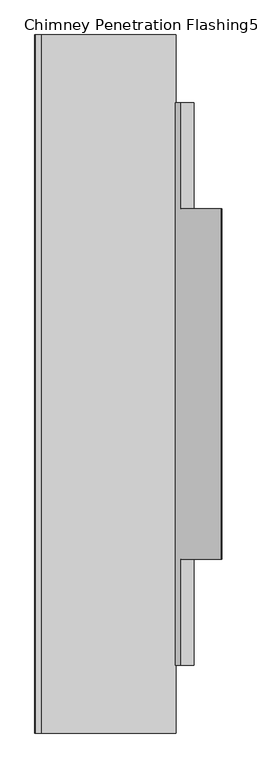
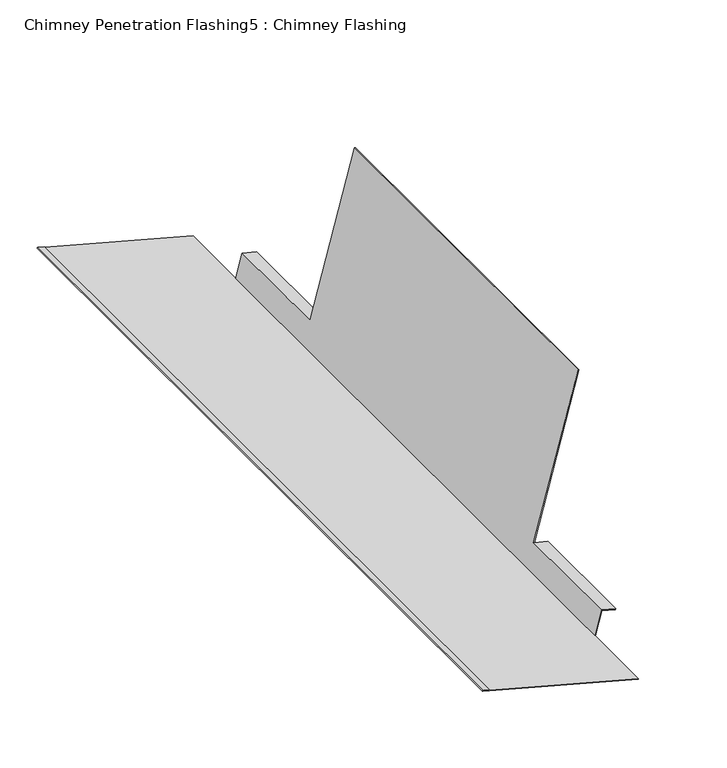
"""IFC4 building model written with IfcOpenShell, lengths in millimetres: proxy geometry, Chimney Penetration Flashing5 : Chimney Flashing."""

import ifcopenshell
import ifcopenshell.guid

model = None  # the IFC model being written
_history = None  # IfcOwnerHistory: only IFC2X3 demands one
_inside = {}  # id of a spatial element -> (the spatial element, [elements in it])
_under = {}  # id of a project, library or spatial element -> (it, [spatial elements below it])
_declared = {}  # id of a project -> (the project, [libraries it declares])
_typed = {}  # id of a type object -> (the type object, [elements of that type])
_made_of = {}  # id of a material, layer set ... -> (it, [elements and type objects made of it])


def new_model(schema):
    """Start an empty IFC model of exactly this schema.

    Asked for "IFC4X3", IfcOpenShell would pick the latest addendum, in which some entities
    have other attributes; the version numbers below select the first issue.
    IFC2X3 requires an IfcOwnerHistory on every rooted entity: one is made here for all.
    """
    global model, _history
    if schema == "IFC4X3":
        model = ifcopenshell.file(schema_version=(4, 3, 0, 0))
    else:
        model = ifcopenshell.file(schema=schema)
    _inside.clear()
    _under.clear()
    _declared.clear()
    _typed.clear()
    _made_of.clear()
    _history = None
    if model.schema == "IFC2X3":
        org = make("IfcOrganization", Name="unknown")
        user = make(
            "IfcPersonAndOrganization",
            ThePerson=make("IfcPerson", FamilyName="unknown"),
            TheOrganization=org,
        )
        app = make(
            "IfcApplication",
            ApplicationDeveloper=org,
            Version="unknown",
            ApplicationFullName="unknown",
            ApplicationIdentifier="unknown",
        )
        _history = make(
            "IfcOwnerHistory",
            OwningUser=user,
            OwningApplication=app,
            ChangeAction="ADDED",
            CreationDate=0,
        )
    return model


def make(cls, **values):
    """One entity of the class cls with the attributes given. An attribute that is None is left unset."""
    return model.create_entity(
        cls, **{name: value for name, value in values.items() if value is not None}
    )


def rooted(cls, **values):
    """An entity with a GlobalId (a new one), such as an element, a storey or a relation."""
    return make(cls, GlobalId=ifcopenshell.guid.new(), OwnerHistory=_history, **values)


def si_unit(unit_type, name, prefix=None):
    """IfcSIUnit, for example si_unit("LENGTHUNIT", "METRE", prefix="MILLI")."""
    return make("IfcSIUnit", UnitType=unit_type, Prefix=prefix, Name=name)


def assignment(units):
    """IfcUnitAssignment: the units of a project."""
    return None if units is None else make("IfcUnitAssignment", Units=units)


def point(xyz):
    """IfcCartesianPoint."""
    return None if xyz is None else make("IfcCartesianPoint", Coordinates=xyz)


def direction(xyz):
    """IfcDirection."""
    return None if xyz is None else make("IfcDirection", DirectionRatios=xyz)


def frame(location, z_axis=None, x_axis=None):
    """IfcAxis2Placement3D, a coordinate frame: its origin and axes. An axis left out is left unset."""
    return make(
        "IfcAxis2Placement3D",
        Location=point(location),
        Axis=direction(z_axis),
        RefDirection=direction(x_axis),
    )


def origin():
    """The frame at (0, 0, 0) with its axes left unset."""
    return frame((0.0, 0.0, 0.0))


def place(relative_to, where):
    """IfcLocalPlacement: puts the frame where relative to a parent placement (None: the world)."""
    return make(
        "IfcLocalPlacement", PlacementRelTo=relative_to, RelativePlacement=where
    )


def context(
    kind, dimensions, precision=None, world=None, true_north=None, identifier=None
):
    """IfcGeometricRepresentationContext, for example the 3D "Model" context."""
    return make(
        "IfcGeometricRepresentationContext",
        ContextIdentifier=identifier,
        ContextType=kind,
        CoordinateSpaceDimension=dimensions,
        Precision=precision,
        WorldCoordinateSystem=world,
        TrueNorth=true_north,
    )


def project(units=None, contexts=None):
    """IfcProject with its units and contexts."""
    return rooted(
        "IfcProject",
        Name="project",
        RepresentationContexts=contexts,
        UnitsInContext=assignment(units),
    )


def spatial(cls, under=None, at=None, **own):
    """A site, building, storey or space (cls), placed at a placement, below another one or the project."""
    s = rooted(cls, ObjectPlacement=at, **own)
    if under is not None:
        _under.setdefault(under.id(), (under, []))[1].append(s)
    return s


def circle_curve(where, radius):
    """IfcCircle in the frame where."""
    return make("IfcCircle", Position=where, Radius=radius)


def shape(context_of_items, identifier, shape_type, items):
    """IfcShapeRepresentation: the items that make up one representation, for example the "Body"."""
    return make(
        "IfcShapeRepresentation",
        ContextOfItems=context_of_items,
        RepresentationIdentifier=identifier,
        RepresentationType=shape_type,
        Items=items,
    )


def source(mapping_origin, context_of_items, identifier, shape_type, items):
    """IfcRepresentationMap: a shape defined once, which mapped items show again and again."""
    return make(
        "IfcRepresentationMap",
        MappingOrigin=mapping_origin,
        MappedRepresentation=shape(context_of_items, identifier, shape_type, items),
    )


def transform(
    local_origin,
    x_axis=None,
    y_axis=None,
    z_axis=None,
    scale=None,
    scale2=None,
    scale3=None,
    uniform=True,
):
    """IfcCartesianTransformationOperator3D, or its non-uniform kind. x_axis, y_axis, z_axis: its Axis1, 2, 3."""
    if uniform:
        return make(
            "IfcCartesianTransformationOperator3D",
            Axis1=direction(x_axis),
            Axis2=direction(y_axis),
            LocalOrigin=point(local_origin),
            Scale=scale,
            Axis3=direction(z_axis),
        )
    return make(
        "IfcCartesianTransformationOperator3DnonUniform",
        Axis1=direction(x_axis),
        Axis2=direction(y_axis),
        LocalOrigin=point(local_origin),
        Scale=scale,
        Axis3=direction(z_axis),
        Scale2=scale2,
        Scale3=scale3,
    )


def mapped(mapping_source, mapping_target):
    """IfcMappedItem: shows the shape of a source again, moved by a transform."""
    return make(
        "IfcMappedItem", MappingSource=mapping_source, MappingTarget=mapping_target
    )


def made_of(thing, what):
    """Note that an element or type object is made of a material, layer set ...; save() writes the relation."""
    if what is not None:
        _made_of.setdefault(what.id(), (what, []))[1].append(thing)
    return thing


def element(
    cls,
    number,
    at=None,
    inside=None,
    cuts=None,
    type_object=None,
    material=None,
    context=None,
    identifier="Body",
    shape_type=None,
    held_by="IfcProductDefinitionShape",
    body=None,
    shapes=None,
    **own,
):
    """One element of the class cls, such as IfcWall. Its Tag is "e" and its number.

    at: its placement. inside: the storey or other place that contains it. cuts: it is an
    opening in that element (IfcRelVoidsElement). A single representation is given by context,
    identifier, shape_type and body (its items); several are given by shapes. held_by: the class
    of the entity that holds the representations. save() writes the other relations.
    """
    e = rooted(cls, Tag="e%d" % number, ObjectPlacement=at, **own)
    if body is not None:
        shapes = [shape(context, identifier, shape_type, body)]
    if shapes is not None:
        e.Representation = make(held_by, Representations=shapes)
    if inside is not None:
        _inside.setdefault(inside.id(), (inside, []))[1].append(e)
    if cuts is not None:
        rooted(
            "IfcRelVoidsElement", RelatingBuildingElement=cuts, RelatedOpeningElement=e
        )
    if type_object is not None:
        _typed.setdefault(type_object.id(), (type_object, []))[1].append(e)
    return made_of(e, material)


def aggregate(whole, parts):
    """IfcRelAggregates: a whole, such as a stair, and the parts it consists of."""
    return rooted("IfcRelAggregates", RelatingObject=whole, RelatedObjects=parts)


def save(model, path):
    """Write the relations noted so far, then the file.

    IfcRelAggregates (storeys below a building ...), IfcRelContainedInSpatialStructure (elements
    in a storey), IfcRelDefinesByType, IfcRelAssociatesMaterial and IfcRelDeclares: one each for
    every whole, place, type object, material and project.
    """
    for whole, parts in _under.values():
        aggregate(whole, parts)
    for where, things in _inside.values():
        rooted(
            "IfcRelContainedInSpatialStructure",
            RelatedElements=things,
            RelatingStructure=where,
        )
    for kind, things in _typed.values():
        rooted("IfcRelDefinesByType", RelatedObjects=things, RelatingType=kind)
    for what, things in _made_of.values():
        rooted("IfcRelAssociatesMaterial", RelatedObjects=things, RelatingMaterial=what)
    for by, libraries in _declared.values():
        rooted("IfcRelDeclares", RelatingContext=by, RelatedDefinitions=libraries)
    model.write(path)


def plane_surface(at):
    """IfcPlane: the flat surface through the origin of the frame at, square to its z axis."""
    return make("IfcPlane", Position=at)


def cylinder_surface(at, radius):
    """IfcCylindricalSurface: all points at the distance radius from the z axis of the frame at."""
    return make("IfcCylindricalSurface", Position=at, Radius=radius)


def advanced_brep(points, edges, surfaces, faces):
    """IfcAdvancedBrep: a solid bounded by faces that lie on surfaces and meet in shared edges.

    An edge is (start, end): straight between two places in points (the first is 0);
    or (start, end, curve); or (start, end, curve, False) where it runs against its curve.
    A face is (place in surfaces, loops), or (place, loops, False) where it looks against
    its surface's normal. A loop lists edges by number (the first is 1), with a minus sign
    where the edge is run from its end to its start. The first loop is the outer one.
    """
    corners = [point(p) for p in points]
    vertices = [make("IfcVertexPoint", VertexGeometry=c) for c in corners]
    made = []
    for start, end, *more in edges:
        made.append(
            make(
                "IfcEdgeCurve",
                EdgeStart=vertices[start],
                EdgeEnd=vertices[end],
                EdgeGeometry=more[0] if more else make("IfcPolyline", Points=[corners[start], corners[end]]),
                SameSense=more[1] if len(more) > 1 else True,
            )
        )
    hull = []
    for where, loops, *sense in faces:
        bounds = []
        for j, loop in enumerate(loops):
            ring = [make("IfcOrientedEdge", EdgeElement=made[abs(k) - 1], Orientation=k > 0) for k in loop]
            bounds.append(
                make(
                    "IfcFaceOuterBound" if j == 0 else "IfcFaceBound",
                    Bound=make("IfcEdgeLoop", EdgeList=ring),
                    Orientation=True,
                )
            )
        hull.append(make("IfcAdvancedFace", Bounds=bounds, FaceSurface=surfaces[where], SameSense=sense[0] if sense else True))
    return make("IfcAdvancedBrep", Outer=make("IfcClosedShell", CfsFaces=hull))


def chimney_penetration_flashing5_chimney_flashing_300a4321(model_context):
    return source(origin(), model_context, "Body", "AdvancedBrep", [
        advanced_brep(
        [(9853.6953655, -13521.7134194, 9945.6112442), (9853.9539312, -13521.7134194, 9946.5772379), (9622.0989255, -13521.7134194, 10008.5722555), (9622.3572377, -13521.7134194, 10009.5383169), (9612.6966231, -13521.7134194, 10012.1214399), (9612.1799985, -13521.7134194, 10010.1893169), (9853.6953655, -12321.7134194, 9945.6112442), (9612.1799985, -12321.7134194, 10010.1893169), (9612.6966231, -12321.7134194, 10012.1214399), (9622.3572377, -12321.7134194, 10009.5383169), (9622.0989255, -12321.7134194, 10008.5722555), (9853.9539312, -12321.7134194, 9946.5772379), (9853.9539312, -12438.0499707, 9946.5772379), (9864.037993, -12438.0499707, 9984.2509927), (9864.037993, -12620.7134194, 9984.2509927), (9864.2965587, -12620.7134194, 9985.2169864), (9933.7658665, -12620.7134194, 10244.752255), (9933.7658665, -13222.7134194, 10244.752255), (9864.2965587, -13222.7134194, 9985.2169864), (9864.037993, -13222.7134194, 9984.2509927), (9864.037993, -13405.3768682, 9984.2509927), (9853.9539312, -13405.3768682, 9946.5772379), (9852.9878697, -13405.3768682, 9946.8355502), (9852.9878697, -12438.0499707, 9946.8355502), (9932.7998728, -13222.7134194, 10245.0108207), (9863.3306328, -13222.7134194, 9985.4758055), (9932.7998728, -12620.7134194, 10245.0108207), (9863.3306328, -12620.7134194, 9985.4758055), (9885.6457254, -13222.7134194, 9979.4964945), (9885.3871597, -13222.7134194, 9978.5305007), (9885.6457254, -13405.3768682, 9979.4964945), (9885.3871597, -13405.3768682, 9978.5305007), (9863.3306328, -12438.0499707, 9985.4758055), (9863.3306328, -13405.3768682, 9985.4758055), (9885.3871597, -12620.7134194, 9978.5305007), (9885.6457254, -12620.7134194, 9979.4964945), (9885.6457254, -12438.0499707, 9979.4964945), (9885.3871597, -12438.0499707, 9978.5305007)],
        [
            (0, 1),
            (1, 2),
            (2, 3),
            (3, 4),
            (4, 5, circle_curve(frame((9612.4383108, -13521.7134194, 10011.1553784), z_axis=(0.0, -1.0, 0.0), x_axis=(-0.49954561977112655, 0.0, -0.8662875814459544)), 1.0)),
            (5, 0),
            (6, 7),
            (7, 8, circle_curve(frame((9612.4383108, -12321.7134194, 10011.1553784), z_axis=(0.0, 1.0, 0.0), x_axis=(-0.49954561977112655, 0.0, -0.8662875814459544)), 1.0)),
            (8, 9),
            (9, 10),
            (10, 11),
            (11, 6),
            (0, 6),
            (11, 12),
            (12, 13),
            (13, 14),
            (14, 15),
            (15, 16),
            (16, 17),
            (17, 18),
            (18, 19),
            (19, 20),
            (20, 21),
            (21, 1),
            (21, 22),
            (22, 23),
            (23, 12),
            (10, 2),
            (9, 3),
            (8, 4),
            (7, 5),
            (17, 24),
            (24, 25),
            (25, 18),
            (26, 16),
            (15, 27),
            (27, 26),
            (26, 24),
            (28, 29),
            (29, 19),
            (18, 28),
            (30, 31),
            (31, 29),
            (28, 30),
            (31, 20),
            (27, 32),
            (32, 23),
            (22, 33),
            (33, 25),
            (30, 33),
            (14, 34),
            (34, 35),
            (35, 15),
            (36, 37),
            (37, 13),
            (32, 36),
            (34, 37),
            (36, 35),
        ],
        [
            plane_surface(frame((8147.0481258, -13521.7134194, 10336.9190019), z_axis=(0.0, -1.0, 0.0), x_axis=(-0.8662875814459544, 0.0, 0.49954561977112655))),
            plane_surface(frame((8147.0481258, -12321.7134194, 10336.9190019), z_axis=(0.0, 1.0, 0.0), x_axis=(-0.8662875814459544, 0.0, 0.49954561977112655))),
            plane_surface(frame((9853.6953655, -13521.7134194, 9945.6112442), z_axis=(0.9659936804777709, 0.0, -0.25856567691209587), x_axis=(0.0, 1.0, 0.0))),
            plane_surface(frame((9853.9539312, -13521.7134194, 9946.5772379), z_axis=(0.2583122909324994, 0.0, 0.9660614682064511), x_axis=(0.0, 1.0, 0.0))),
            plane_surface(frame((9622.0989255, -13521.7134194, 10008.5722555), z_axis=(0.9660614682064237, 0.0, -0.2583122909326017), x_axis=(0.0, 1.0, 0.0))),
            plane_surface(frame((9622.3572377, -13521.7134194, 10009.5383169), z_axis=(0.2583122909325091, 0.0, 0.9660614682064486), x_axis=(0.0, 1.0, 0.0))),
            cylinder_surface(frame((9612.4383108, -13521.7134194, 10011.1553784), z_axis=(0.0, -1.0, 0.0), x_axis=(-0.49954561977112655, 0.0, -0.8662875814459544)), 1.0),
            plane_surface(frame((9612.1799985, -13521.7134194, 10010.1893169), z_axis=(-0.2583122909324994, 0.0, -0.9660614682064511), x_axis=(0.0, 1.0, 0.0))),
            plane_surface(frame((8147.0481258, -13222.7134194, 10336.9190019), z_axis=(0.0, -1.0, 0.0), x_axis=(-0.8662875814459544, 0.0, 0.49954561977112655))),
            plane_surface(frame((8147.0481258, -12620.7134194, 10336.9190019), z_axis=(0.0, 1.0, 0.0), x_axis=(-0.8662875814459544, 0.0, 0.49954561977112655))),
            plane_surface(frame((9933.7658665, -13222.7134194, 10244.752255), z_axis=(0.2585656769122504, 0.0, 0.9659936804777295), x_axis=(0.0, 1.0, 0.0))),
            plane_surface(frame((8147.0481258, -13222.7134194, 10336.9190019), z_axis=(0.0, 1.0, 0.0), x_axis=(-0.8662875814459544, 0.0, 0.49954561977112655))),
            plane_surface(frame((9885.3871597, -13405.3768682, 9978.5305007), z_axis=(0.9659936804777709, 0.0, -0.25856567691209587), x_axis=(0.0, 1.0, 0.0))),
            plane_surface(frame((9864.037993, -13405.3768682, 9984.2509927), z_axis=(-0.2588190451025206, 0.0, -0.9659258262890684), x_axis=(0.0, 1.0, 0.0))),
            plane_surface(frame((9932.7998728, -13222.7134194, 10245.0108207), z_axis=(-0.9659936804777581, 0.0, 0.25856567691214355), x_axis=(0.0, 1.0, 0.0))),
            plane_surface(frame((8147.0481258, -13405.3768682, 10336.9190019), z_axis=(0.0, -1.0, 0.0), x_axis=(-0.8662875814459544, 0.0, 0.49954561977112655))),
            plane_surface(frame((9885.6457254, -13405.3768682, 9979.4964945), z_axis=(0.2588190451032082, 0.0, 0.9659258262888841), x_axis=(0.0, 1.0, 0.0))),
            plane_surface(frame((8147.0481258, -12620.7134194, 10336.9190019), z_axis=(0.0, -1.0, 0.0), x_axis=(-0.8662875814459544, 0.0, 0.49954561977112655))),
            plane_surface(frame((8147.0481258, -12438.0499707, 10336.9190019), z_axis=(0.0, 1.0, 0.0), x_axis=(-0.8662875814459544, 0.0, 0.49954561977112655))),
            plane_surface(frame((9885.3871597, -12620.7134194, 9978.5305007), z_axis=(0.9659936804777709, 0.0, -0.25856567691209587), x_axis=(0.0, 1.0, 0.0))),
            plane_surface(frame((9864.037993, -12620.7134194, 9984.2509927), z_axis=(-0.2588190451025206, 0.0, -0.9659258262890684), x_axis=(0.0, 1.0, 0.0))),
            plane_surface(frame((9885.6457254, -12620.7134194, 9979.4964945), z_axis=(0.2588190451032082, 0.0, 0.9659258262888841), x_axis=(0.0, 1.0, 0.0))),
        ],
        [
            (0, [[1, 2, 3, 4, 5, 6]]),
            (1, [[7, 8, 9, 10, 11, 12]]),
            (2, [[-1, 13, -12, 14, 15, 16, 17, 18, 19, 20, 21, 22, 23, 24]]),
            (3, [[-2, -24, 25, 26, 27, -14, -11, 28]]),
            (4, [[-3, -28, -10, 29]]),
            (5, [[-4, -29, -9, 30]]),
            (6, [[-5, -30, -8, 31]]),
            (7, [[-6, -31, -7, -13]]),
            (8, [[32, 33, 34, -20]]),
            (9, [[35, -18, 36, 37]]),
            (10, [[-32, -19, -35, 38]]),
            (11, [[39, 40, -21, 41]]),
            (12, [[42, 43, -39, 44]]),
            (13, [[45, -22, -40, -43]]),
            (14, [[-38, -37, 46, 47, -26, 48, 49, -33]]),
            (15, [[50, -48, -25, -23, -45, -42]]),
            (16, [[-50, -44, -41, -34, -49]]),
            (17, [[51, 52, 53, -17]]),
            (18, [[54, 55, -15, -27, -47, 56]]),
            (19, [[-52, 57, -54, 58]]),
            (20, [[-51, -16, -55, -57]]),
            (21, [[-56, -46, -36, -53, -58]]),
        ],
    ),
    ])


if __name__ == "__main__":
    model = new_model("IFC4")
    model_context = context("Model", 3, world=origin())
    ifc_project = project(units=[si_unit("LENGTHUNIT", "METRE", prefix="MILLI")], contexts=[model_context])
    site = spatial("IfcSite", under=ifc_project)
    building = spatial("IfcBuilding", under=site)
    placement = place(None, origin())
    chimney_penetration_flashing5_chimney_flashing_shape = chimney_penetration_flashing5_chimney_flashing_300a4321(model_context)
    element("IfcBuildingElementProxy", 1, Name="Chimney Penetration Flashing5 : Chimney Flashing", ObjectType="Chimney Penetration Flashing5 : Chimney Flashing", at=placement, inside=building, context=model_context, shape_type="MappedRepresentation", body=[
        mapped(chimney_penetration_flashing5_chimney_flashing_shape, transform((0.0, 0.0, 0.0), x_axis=(1.0, 0.0, 0.0), y_axis=(0.0, 1.0, 0.0), z_axis=(0.0, 0.0, 1.0))),
    ])
    save(model, "model.ifc")
